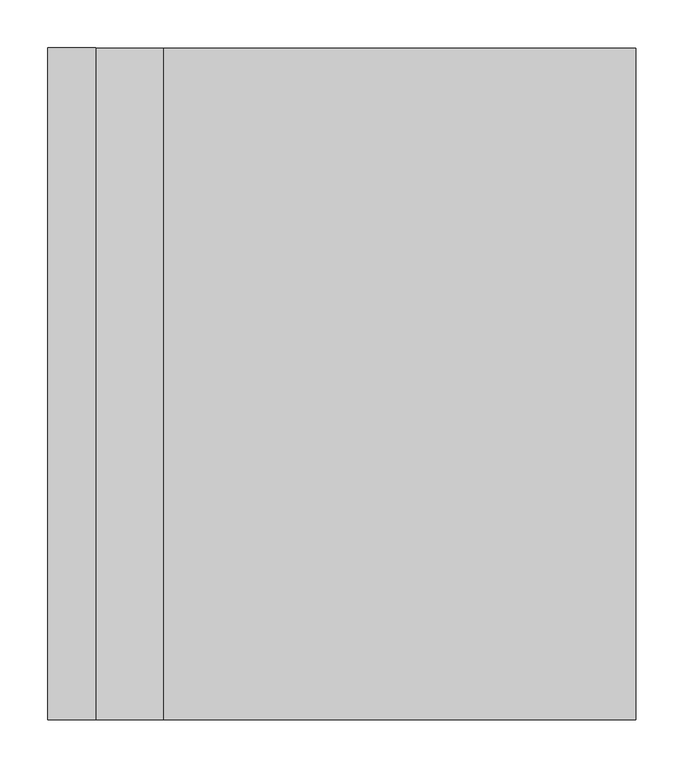
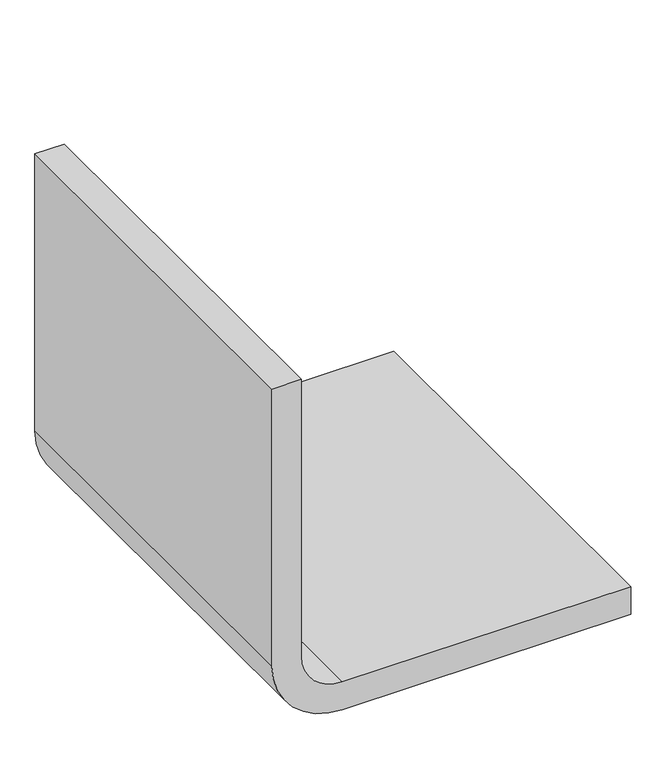
"""IFC4 building model written with IfcOpenShell, lengths in millimetres: proxy geometry."""

from ifc_helpers import new_model, si_unit, point, frame, frame_2d, origin, place, context, project, spatial, polyline, circle_curve, trimmed, segment, composite_curve, outline, extrude, source, transform, mapped, element, save


def generic_models_96b59269(model_context):
    return source(origin(), model_context, "Body", "SweptSolid", [
        extrude(outline(composite_curve([segment(polyline([(0.0, -100.0), (0.0, 391.7414075), (50.0, 391.7414075), (50.0, -100.0)]), True, "CONTINUOUS"), segment(trimmed(circle_curve(frame_2d((120.7106781, -100.0)), 70.7106781), [point((50.0, -100.0))], [point((120.7106781, -170.7106781))], True, "CARTESIAN"), True, "CONTINUOUS"), segment(polyline([(120.7106781, -170.7106781), (620.7106781, -170.7106781), (620.7106781, -220.7106781), (120.7106781, -220.7106781)]), True, "CONTINUOUS"), segment(trimmed(circle_curve(frame_2d((120.7106781, -100.0)), 120.7106781), [point((120.7106781, -220.7106781))], [point((0.0, -100.0))], False, "CARTESIAN"), True, "CONTINUOUS")], self_intersect=False)), frame((0.0, 69.2133352, 0.0), z_axis=(0.0, 1.0, 0.0), x_axis=(0.0, 0.0, 1.0)), (0.0, 0.0, 1.0), 700.0),
    ])


if __name__ == "__main__":
    model = new_model("IFC4")
    model_context = context("Model", 3, world=origin())
    ifc_project = project(units=[si_unit("LENGTHUNIT", "METRE", prefix="MILLI")], contexts=[model_context])
    site = spatial("IfcSite", under=ifc_project)
    building = spatial("IfcBuilding", under=site)
    placement = place(None, origin())
    generic_models_shape = generic_models_96b59269(model_context)
    element("IfcBuildingElementProxy", 1, Name="Generic Models", at=placement, inside=building, context=model_context, shape_type="MappedRepresentation", body=[
        mapped(generic_models_shape, transform((0.0, 0.0, 0.0), x_axis=(1.0, 0.0, 0.0), y_axis=(0.0, 1.0, 0.0), z_axis=(0.0, 0.0, 1.0))),
    ])
    save(model, "model.ifc")
